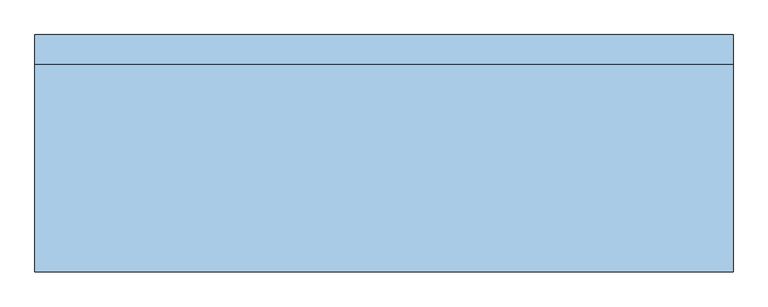
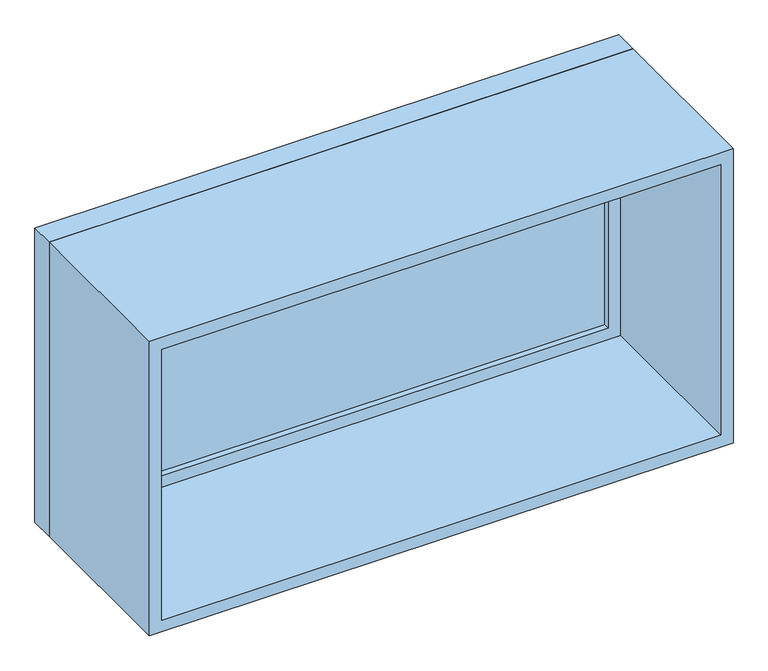
"""IFC4 building model written with IfcOpenShell, lengths in millimetres: window geometry."""

from ifc_helpers import new_model, si_unit, frame, origin, place, context, project, spatial, polyline, outline, extrude, source, transform, mapped, element, save


def window_ebb0a1cf(model_context):
    return source(origin(), model_context, "Body", "SweptSolid", [
        extrude(outline(polyline([(-687.0, 233.0), (687.0, 233.0), (687.0, 221.0), (-687.0, 221.0), (-687.0, 233.0)])), frame((0.0, 0.0, 368.0), z_axis=(0.0, 0.0, 1.0), x_axis=(1.0, 0.0, 0.0)), (0.0, 0.0, 1.0), 674.0),
        extrude(outline(polyline([(1086.0, -731.0), (324.0, -731.0), (324.0, 731.0), (1086.0, 731.0), (1086.0, -731.0)]), holes=[polyline([(1042.0, -687.0), (1042.0, 687.0), (368.0, 687.0), (368.0, -687.0), (1042.0, -687.0)])]), frame((0.0, 205.0, 0.0), z_axis=(0.0, 1.0, 0.0), x_axis=(0.0, 0.0, 1.0)), (0.0, 0.0, 1.0), 44.0),
        extrude(outline(polyline([(1105.0, -750.0), (305.0, -750.0), (305.0, 750.0), (1105.0, 750.0), (1105.0, -750.0)]), holes=[polyline([(1086.0, -731.0), (1086.0, 731.0), (324.0, 731.0), (324.0, -731.0), (1086.0, -731.0)])]), frame((0.0, 205.0, 0.0), z_axis=(0.0, 1.0, 0.0), x_axis=(0.0, 0.0, 1.0)), (0.0, 0.0, 1.0), 63.0),
        extrude(outline(polyline([(1105.0, -750.0), (305.0, -750.0), (305.0, 750.0), (1105.0, 750.0), (1105.0, -750.0)]), holes=[polyline([(1073.0, -718.0), (1073.0, 718.0), (337.0, 718.0), (337.0, -718.0), (1073.0, -718.0)])]), frame((0.0, -242.0, 0.0), z_axis=(0.0, 1.0, 0.0), x_axis=(0.0, 0.0, 1.0)), (0.0, 0.0, 1.0), 447.0),
    ])


if __name__ == "__main__":
    model = new_model("IFC4")
    model_context = context("Model", 3, world=origin())
    ifc_project = project(units=[si_unit("LENGTHUNIT", "METRE", prefix="MILLI")], contexts=[model_context])
    site = spatial("IfcSite", under=ifc_project)
    building = spatial("IfcBuilding", under=site)
    placement = place(None, origin())
    window_shape = window_ebb0a1cf(model_context)
    element("IfcWindow", 1, at=placement, inside=building, context=model_context, shape_type="MappedRepresentation", body=[
        mapped(window_shape, transform((0.0, 0.0, 0.0), x_axis=(1.0, 0.0, 0.0), y_axis=(0.0, 1.0, 0.0), z_axis=(0.0, 0.0, 1.0))),
    ])
    save(model, "model.ifc")
